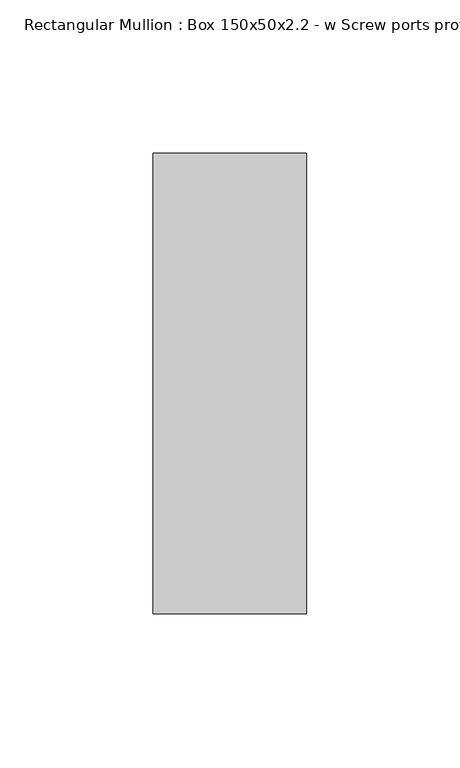
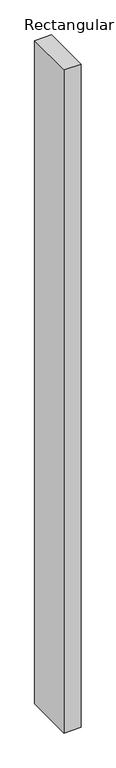
"""IFC4 building model written with IfcOpenShell, lengths in millimetres: member geometry, Rectangular Mullion : Box 150x50x2.2 - w Screw ports profile."""

from ifc_helpers import new_model, si_unit, frame, origin, place, context, project, spatial, polyline, outline, extrude, source, transform, mapped, element, save


def rectangular_mullion_box_150x50x2_2_w_screw_ports_profile_61f3d4ee(model_context):
    return source(origin(), model_context, "Body", "SweptSolid", [
        extrude(outline(polyline([(25.0, 75.0), (25.0, -75.0), (-25.0, -75.0), (-25.0, 75.0), (25.0, 75.0)])), frame((0.0, 0.0, -2072.0084745), z_axis=(0.0, 0.0, 1.0), x_axis=(1.0, 0.0, 0.0)), (0.0, 0.0, 1.0), 2072.0084745),
    ])


if __name__ == "__main__":
    model = new_model("IFC4")
    model_context = context("Model", 3, world=origin())
    ifc_project = project(units=[si_unit("LENGTHUNIT", "METRE", prefix="MILLI")], contexts=[model_context])
    site = spatial("IfcSite", under=ifc_project)
    building = spatial("IfcBuilding", under=site)
    placement = place(None, origin())
    rectangular_mullion_box_150x50x2_2_w_screw_ports_profile_shape = rectangular_mullion_box_150x50x2_2_w_screw_ports_profile_61f3d4ee(model_context)
    element("IfcMember", 1, ObjectType="Rectangular Mullion : Box 150x50x2.2 - w Screw ports profile", at=placement, inside=building, context=model_context, shape_type="MappedRepresentation", body=[
        mapped(rectangular_mullion_box_150x50x2_2_w_screw_ports_profile_shape, transform((0.0, 0.0, 0.0), x_axis=(1.0, 0.0, 0.0), y_axis=(0.0, 1.0, 0.0), z_axis=(0.0, 0.0, 1.0))),
    ])
    save(model, "model.ifc")
